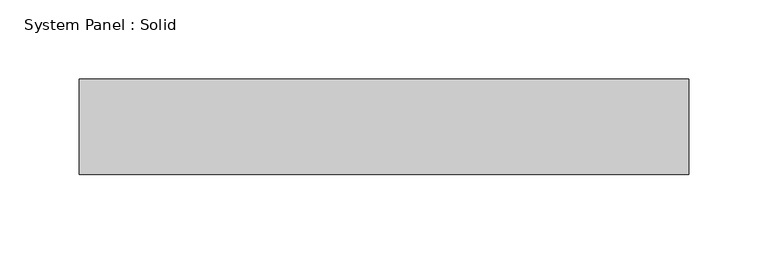
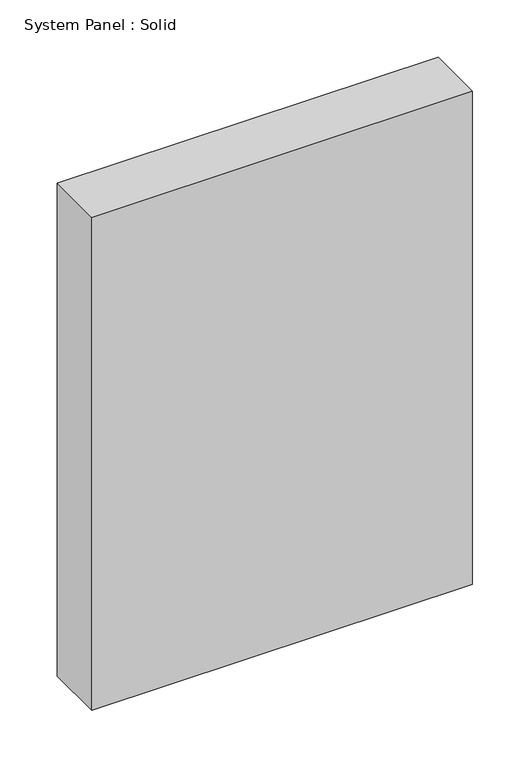
"""IFC4 building model written with IfcOpenShell, lengths in millimetres: plate geometry, System Panel : Solid."""

from ifc_helpers import new_model, si_unit, origin, origin_with_axes, place, context, project, spatial, polyline, outline, extrude, source, transform, mapped, element, save


def system_panel_solid_03a9b5ce(model_context):
    return source(origin(), model_context, "Body", "SweptSolid", [
        extrude(outline(polyline([(191.7387421, -49.5), (-191.7387421, -49.5), (-191.7387421, 10.5), (191.7387421, 10.5), (191.7387421, -49.5)])), origin_with_axes(), (0.0, 0.0, 1.0), 525.0),
    ])


if __name__ == "__main__":
    model = new_model("IFC4")
    model_context = context("Model", 3, world=origin())
    ifc_project = project(units=[si_unit("LENGTHUNIT", "METRE", prefix="MILLI")], contexts=[model_context])
    site = spatial("IfcSite", under=ifc_project)
    building = spatial("IfcBuilding", under=site)
    placement = place(None, origin())
    system_panel_solid_shape = system_panel_solid_03a9b5ce(model_context)
    element("IfcPlate", 1, ObjectType="System Panel : Solid", at=placement, inside=building, context=model_context, shape_type="MappedRepresentation", body=[
        mapped(system_panel_solid_shape, transform((0.0, 0.0, 0.0), x_axis=(1.0, 0.0, 0.0), y_axis=(0.0, 1.0, 0.0), z_axis=(0.0, 0.0, 1.0))),
    ])
    save(model, "model.ifc")
